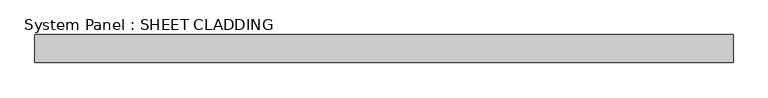
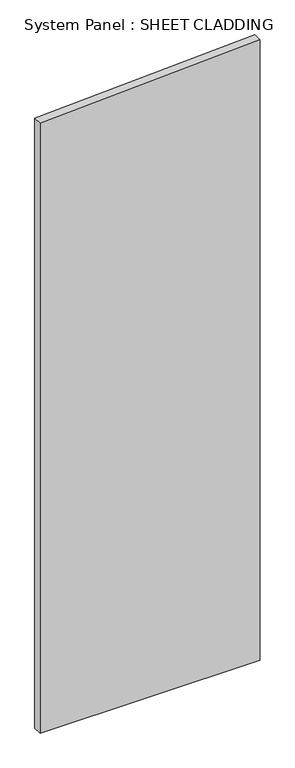
"""IFC4 building model written with IfcOpenShell, lengths in millimetres: plate geometry, System Panel : SHEET CLADDING."""

from ifc_helpers import new_model, si_unit, frame, origin, place, context, project, spatial, polyline, outline, extrude, source, transform, mapped, element, save


def system_panel_sheet_cladding_6ceaf9e7(model_context):
    return source(origin(), model_context, "Body", "SweptSolid", [
        extrude(outline(polyline([(0.0, -750.0), (0.0, 750.0), (4460.1, 750.0), (4385.1, -750.0), (0.0, -750.0)])), frame((0.0, -49.5, 0.0), z_axis=(0.0, 1.0, 0.0), x_axis=(0.0, 0.0, 1.0)), (0.0, 0.0, 1.0), 60.0),
    ])


if __name__ == "__main__":
    model = new_model("IFC4")
    model_context = context("Model", 3, world=origin())
    ifc_project = project(units=[si_unit("LENGTHUNIT", "METRE", prefix="MILLI")], contexts=[model_context])
    site = spatial("IfcSite", under=ifc_project)
    building = spatial("IfcBuilding", under=site)
    placement = place(None, origin())
    system_panel_sheet_cladding_shape = system_panel_sheet_cladding_6ceaf9e7(model_context)
    element("IfcPlate", 1, ObjectType="System Panel : SHEET CLADDING", at=placement, inside=building, context=model_context, shape_type="MappedRepresentation", body=[
        mapped(system_panel_sheet_cladding_shape, transform((0.0, 0.0, 0.0), x_axis=(1.0, 0.0, 0.0), y_axis=(0.0, 1.0, 0.0), z_axis=(0.0, 0.0, 1.0))),
    ])
    save(model, "model.ifc")
